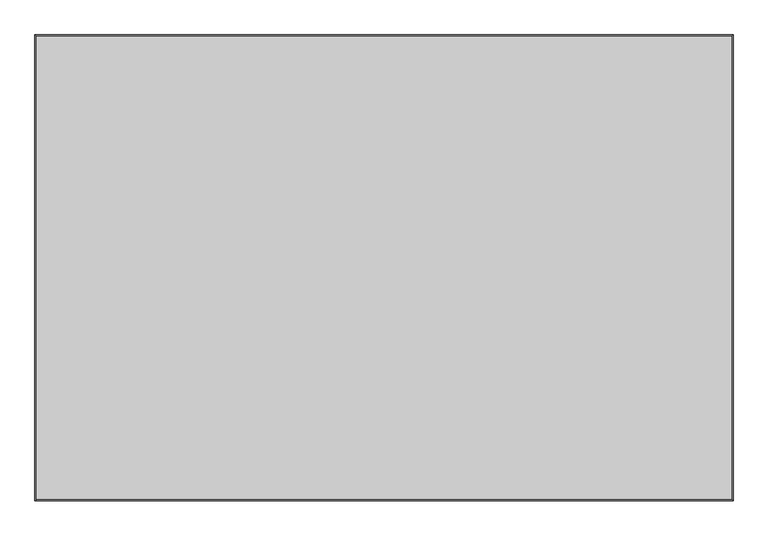
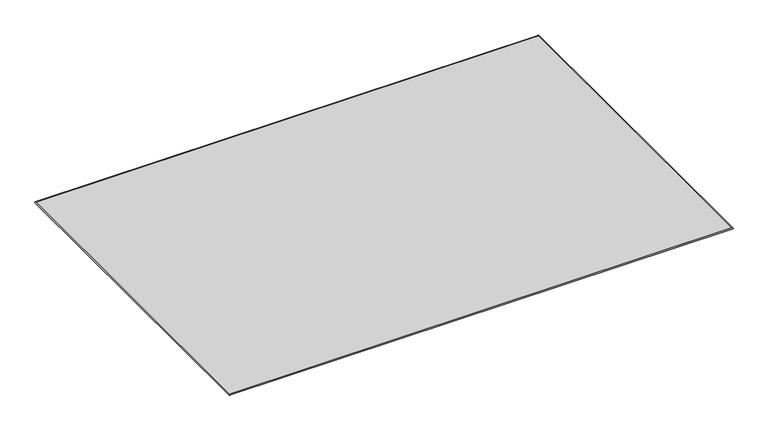
"""IFC4 building model written with IfcOpenShell, lengths in millimetres: furniture geometry."""

from ifc_helpers import new_model, si_unit, frame, origin, origin_with_axes, place, context, project, spatial, polyline, ellipse_curve, outline, extrude, source, transform, mapped, element, save
from ifc_brep_helpers import plane_surface, cylinder_surface, advanced_brep


def furniture_aebbd6c7(model_context):
    return source(origin(), model_context, "Body", "SolidModel", [
        advanced_brep(
        [(-299.0453125, 998.7855469, 6.35), (-299.0453125, 998.7855469, 0.0), (-299.0453125, -1000.1746094, 0.0), (-299.0453125, -1000.1746094, 6.35), (2700.734375, -1000.1746094, 0.0), (2700.734375, -1000.1746094, 6.35), (2700.734375, 998.7855469, 0.0), (2700.734375, 998.7855469, 6.35)],
        [
            (0, 1, ellipse_curve(frame((-300.1097864, 999.8500208, 3.175), z_axis=(-0.7071067811865475, -0.7071067811865475, 0.0), x_axis=(-0.7071067811865474, 0.7071067811865476, 0.0)), 4.7357639, 3.3486907)),
            (1, 2),
            (2, 3, ellipse_curve(frame((-300.1097864, -1001.2390833, 3.175), z_axis=(-0.7071067811865475, 0.7071067811865475, 0.0), x_axis=(0.7071067811865474, 0.7071067811865476, 0.0)), 4.7357639, 3.3486907)),
            (3, 0),
            (1, 0),
            (3, 2),
            (2, 4),
            (4, 5, ellipse_curve(frame((2701.7988489, -1001.2390833, 3.175), z_axis=(-0.7071067811865475, -0.7071067811865475, 0.0), x_axis=(-0.7071067811865476, 0.7071067811865474, 0.0)), 4.7357639, 3.3486907)),
            (5, 3),
            (5, 4),
            (4, 6),
            (6, 7, ellipse_curve(frame((2701.7988489, 999.8500208, 3.175), z_axis=(0.7071067811865475, -0.7071067811865475, 0.0), x_axis=(-0.7071067811865474, -0.7071067811865476, 0.0)), 4.7357639, 3.3486907)),
            (7, 5),
            (7, 6),
            (6, 1),
            (0, 7),
        ],
        [
            cylinder_surface(frame((-300.1097864, 998.7855469, 3.175), z_axis=(0.0, 1.0, 0.0), x_axis=(1.0, 0.0, 0.0)), 3.3486907),
            plane_surface(frame((-299.0453125, 998.7855469, 6.35), z_axis=(1.0, 0.0, 0.0), x_axis=(0.0, -1.0, 0.0))),
            cylinder_surface(frame((-299.0453125, -1001.2390833, 3.175), z_axis=(-1.0, 0.0, 0.0), x_axis=(0.0, 1.0, 0.0)), 3.3486907),
            plane_surface(frame((-299.0453125, -1000.1746094, 6.35), z_axis=(0.0, 1.0, 0.0), x_axis=(1.0, 0.0, 0.0))),
            cylinder_surface(frame((2701.7988489, -1000.1746094, 3.175), z_axis=(0.0, -1.0, 0.0), x_axis=(-1.0, 0.0, 0.0)), 3.3486907),
            plane_surface(frame((2700.734375, -1000.1746094, 6.35), z_axis=(-1.0, 0.0, 0.0), x_axis=(0.0, 1.0, 0.0))),
            cylinder_surface(frame((2700.734375, 999.8500208, 3.175), z_axis=(1.0, 0.0, 0.0), x_axis=(0.0, -1.0, 0.0)), 3.3486907),
            plane_surface(frame((2700.734375, 998.7855469, 6.35), z_axis=(0.0, -1.0, 0.0), x_axis=(-1.0, 0.0, 0.0))),
        ],
        [
            (0, [[1, 2, 3, 4]]),
            (1, [[5, -4, 6, -2]]),
            (2, [[-3, 7, 8, 9]]),
            (3, [[-6, -9, 10, -7]]),
            (4, [[-8, 11, 12, 13]]),
            (5, [[-10, -13, 14, -11]]),
            (6, [[-12, 15, -1, 16]]),
            (7, [[-14, -16, -5, -15]]),
        ],
    ),
        extrude(outline(polyline([(2700.734375, 998.7855469), (2700.734375, -1000.1746094), (-299.0453125, -1000.1746094), (-299.0453125, 998.7855469), (2700.734375, 998.7855469)])), origin_with_axes(), (0.0, 0.0, 1.0), 6.35),
    ])


if __name__ == "__main__":
    model = new_model("IFC4")
    model_context = context("Model", 3, world=origin())
    ifc_project = project(units=[si_unit("LENGTHUNIT", "METRE", prefix="MILLI")], contexts=[model_context])
    site = spatial("IfcSite", under=ifc_project)
    building = spatial("IfcBuilding", under=site)
    placement = place(None, origin())
    furniture_shape = furniture_aebbd6c7(model_context)
    element("IfcFurniture", 1, at=placement, inside=building, context=model_context, shape_type="MappedRepresentation", body=[
        mapped(furniture_shape, transform((0.0, 0.0, 0.0), x_axis=(1.0, 0.0, 0.0), y_axis=(0.0, 1.0, 0.0), z_axis=(0.0, 0.0, 1.0))),
    ])
    save(model, "model.ifc")
